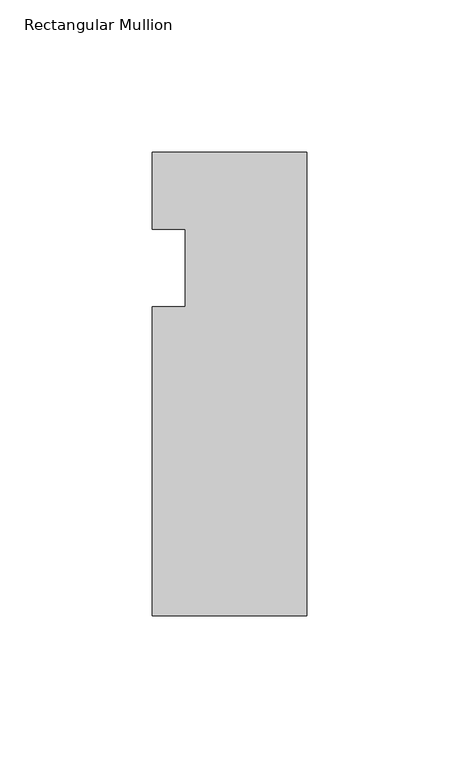
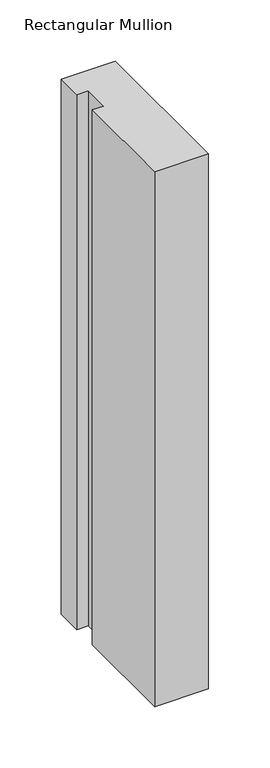
"""IFC4 building model written with IfcOpenShell, lengths in millimetres: member geometry, Rectangular Mullion."""

from ifc_helpers import new_model, si_unit, frame, origin, place, context, project, spatial, polyline, outline, extrude, source, transform, mapped, element, save


def rectangular_mullion_76576964(model_context):
    return source(origin(), model_context, "Body", "SweptSolid", [
        extrude(outline(polyline([(-50.8, -152.4), (-50.8, -50.8), (-39.8272, -50.8), (-39.8272, -25.4), (-50.8, -25.4), (-50.8, 0.0), (0.0, 0.0), (0.0, -152.4), (-50.8, -152.4)])), frame((0.0, 0.0, -533.4), z_axis=(0.0, 0.0, 1.0), x_axis=(1.0, 0.0, 0.0)), (0.0, 0.0, 1.0), 533.4),
    ])


if __name__ == "__main__":
    model = new_model("IFC4")
    model_context = context("Model", 3, world=origin())
    ifc_project = project(units=[si_unit("LENGTHUNIT", "METRE", prefix="MILLI")], contexts=[model_context])
    site = spatial("IfcSite", under=ifc_project)
    building = spatial("IfcBuilding", under=site)
    placement = place(None, origin())
    rectangular_mullion_shape = rectangular_mullion_76576964(model_context)
    element("IfcMember", 1, ObjectType="Rectangular Mullion", at=placement, inside=building, context=model_context, shape_type="MappedRepresentation", body=[
        mapped(rectangular_mullion_shape, transform((0.0, 0.0, 0.0), x_axis=(1.0, 0.0, 0.0), y_axis=(0.0, 1.0, 0.0), z_axis=(0.0, 0.0, 1.0))),
    ])
    save(model, "model.ifc")
